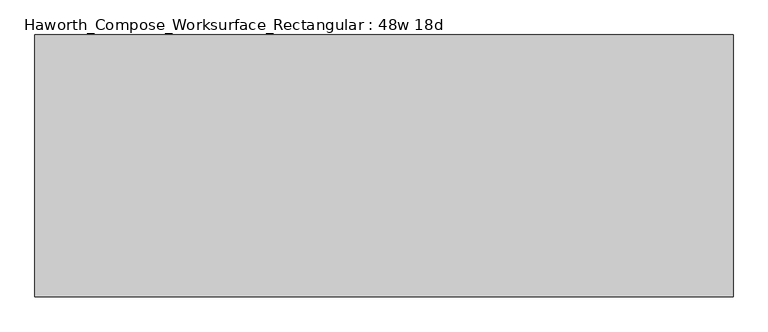
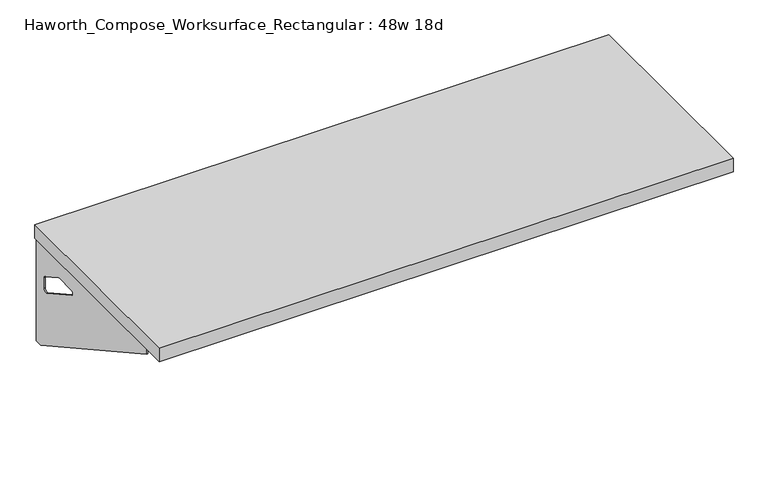
"""IFC4 building model written with IfcOpenShell, lengths in millimetres: furniture geometry, Haworth_Compose_Worksurface_Rectangular : 48w 18d."""

from ifc_helpers import new_model, si_unit, frame, origin, place, context, project, spatial, polyline, circle_curve, outline, extrude, source, transform, mapped, element, save
from ifc_brep_helpers import plane_surface, revolved_surface, advanced_brep


def haworth_compose_worksurface_rectangular_48w_18d_6adbc714(model_context):
    return source(origin(), model_context, "Body", "SolidModel", [
        advanced_brep(
        [(604.04375, 228.6, 475.45625), (604.04375, 212.725, 475.45625), (604.04375, -177.8, 691.7192568), (604.04375, -177.8, 704.05625), (604.04375, 212.725, 704.05625), (604.04375, 228.6, 704.05625), (604.04375, 145.290072, 665.95625), (604.04375, 101.6355284, 665.95625), (604.04375, 98.9564235, 656.3705539), (604.04375, 190.6776173, 605.5776439), (604.04375, 200.025, 611.1756969), (604.04375, 200.025, 634.6860246), (604.04375, 198.2730055, 637.5242776), (604.04375, 148.3663437, 665.1613425), (606.425, 228.6, 475.45625), (606.425, 228.6, 704.05625), (606.425, 212.725, 704.05625), (606.425, 212.725, 706.4375), (606.425, -177.8, 706.4375), (606.425, -177.8, 691.7192568), (606.425, 212.725, 475.45625), (606.425, 145.290072, 665.95625), (606.425, 148.3663437, 665.1613425), (606.425, 198.2730055, 637.5242776), (606.425, 200.025, 634.6860246), (606.425, 200.025, 611.1756969), (606.425, 190.6776173, 605.5776439), (606.425, 98.9564235, 656.3705539), (606.425, 101.6355284, 665.95625), (565.15, -177.8, 706.4375), (565.15, -177.8, 704.05625), (565.15, 212.725, 704.05625), (565.15, 212.725, 706.4375)],
        [
            (0, 1),
            (1, 2),
            (2, 3),
            (3, 4),
            (4, 5),
            (5, 0),
            (6, 7),
            (7, 8, circle_curve(frame((604.04375, 101.6355284, 660.7890106), z_axis=(1.0, 0.0, 0.0), x_axis=(0.0, -1.0, 0.0)), 5.1672394)),
            (8, 9),
            (9, 10, circle_curve(frame((604.04375, 193.675, 611.1756969), z_axis=(1.0, 0.0, 0.0), x_axis=(0.0, -1.0, 0.0)), 6.35)),
            (10, 11),
            (11, 12, circle_curve(frame((604.04375, 196.85, 634.6860246), z_axis=(1.0, 0.0, 0.0), x_axis=(0.0, -1.0, 0.0)), 3.175)),
            (12, 13),
            (13, 6, circle_curve(frame((604.04375, 145.290072, 659.60625), z_axis=(1.0, 0.0, 0.0), x_axis=(0.0, -1.0, 0.0)), 6.35)),
            (14, 15),
            (15, 16),
            (16, 17),
            (17, 18),
            (18, 19),
            (19, 20),
            (20, 14),
            (21, 22, circle_curve(frame((606.425, 145.290072, 659.60625), z_axis=(-1.0, 0.0, 0.0), x_axis=(0.0, -1.0, 0.0)), 6.35)),
            (22, 23),
            (23, 24, circle_curve(frame((606.425, 196.85, 634.6860246), z_axis=(-1.0, 0.0, 0.0), x_axis=(0.0, -1.0, 0.0)), 3.175)),
            (24, 25),
            (25, 26, circle_curve(frame((606.425, 193.675, 611.1756969), z_axis=(-1.0, 0.0, 0.0), x_axis=(0.0, -1.0, 0.0)), 6.35)),
            (26, 27),
            (27, 28, circle_curve(frame((606.425, 101.6355284, 660.7890106), z_axis=(-1.0, 0.0, 0.0), x_axis=(0.0, -1.0, 0.0)), 5.1672394)),
            (28, 21),
            (4, 16),
            (15, 5),
            (14, 0),
            (20, 1),
            (19, 2),
            (18, 29),
            (29, 30),
            (30, 3),
            (6, 21),
            (28, 7),
            (9, 26),
            (25, 10),
            (24, 11),
            (23, 12),
            (27, 8),
            (31, 4),
            (30, 31),
            (32, 29),
            (17, 32),
            (31, 32),
            (22, 13),
        ],
        [
            plane_surface(frame((604.04375, 228.6, 475.45625), z_axis=(-1.0, 0.0, 0.0), x_axis=(0.0, 1.0, 0.0))),
            plane_surface(frame((606.425, 228.6, 475.45625), z_axis=(1.0, 0.0, 0.0), x_axis=(0.0, -1.0, 0.0))),
            plane_surface(frame((606.425, -177.8, 704.05625), z_axis=(0.0, 0.0, 1.0), x_axis=(-1.0, 0.0, 0.0))),
            plane_surface(frame((606.425, 228.6, 704.05625), z_axis=(0.0, 1.0, 0.0), x_axis=(-1.0, 0.0, 0.0))),
            plane_surface(frame((606.425, 228.6, 475.45625), z_axis=(0.0, 0.0, -1.0), x_axis=(-1.0, 0.0, 0.0))),
            plane_surface(frame((606.425, 212.725, 475.45625), z_axis=(0.0, -0.48445223513455843, -0.8748177135112952), x_axis=(-1.0, 0.0, 0.0))),
            plane_surface(frame((606.425, -177.8, 691.7192568), z_axis=(0.0, -1.0, 0.0), x_axis=(-1.0, 0.0, 0.0))),
            plane_surface(frame((606.425, 145.290072, 665.95625), z_axis=(0.0, 0.0, -1.0), x_axis=(-1.0, 0.0, 0.0))),
            revolved_surface(polyline([(604.04375, 187.32500000000002, 611.1756969), (606.425, 187.32500000000002, 611.1756969)]), (606.425, 193.675, 611.1756969), (-1.0, 0.0, 0.0)),
            plane_surface(frame((606.425, 200.025, 611.1756969), z_axis=(0.0, -1.0, 0.0), x_axis=(-1.0, 0.0, 0.0))),
            revolved_surface(polyline([(604.04375, 193.67499999999998, 634.6860246), (606.425, 193.67499999999998, 634.6860246)]), (606.425, 196.85, 634.6860246), (-1.0, 0.0, 0.0)),
            revolved_surface(polyline([(604.04375, 96.468289, 660.7890106), (606.425, 96.468289, 660.7890106)]), (606.425, 101.6355284, 660.7890106), (-1.0, 0.0, 0.0)),
            plane_surface(frame((606.425, 212.725, 704.05625), z_axis=(0.0, 0.0, -1.0), x_axis=(-1.0, 0.0, 0.0))),
            plane_surface(frame((606.425, 212.725, 706.4375), z_axis=(0.0, 0.0, 1.0), x_axis=(1.0, 0.0, 0.0))),
            plane_surface(frame((565.15, 212.725, 706.4375), z_axis=(0.0, 1.0, 0.0), x_axis=(0.0, 0.0, -1.0))),
            plane_surface(frame((565.15, -177.8, 706.4375), z_axis=(-1.0, 0.0, 0.0), x_axis=(0.0, 0.0, -1.0))),
            plane_surface(frame((606.425, 98.9564235, 656.3705539), z_axis=(0.0, 0.4844522351345583, 0.8748177135112953), x_axis=(-1.0, 0.0, 0.0))),
            plane_surface(frame((606.425, 198.2730055, 637.5242776), z_axis=(0.0, -0.4844522351345582, -0.8748177135112953), x_axis=(-1.0, 0.0, 0.0))),
            revolved_surface(polyline([(604.04375, 138.94007200000001, 659.60625), (606.425, 138.94007200000001, 659.60625)]), (606.425, 145.290072, 659.60625), (-1.0, 0.0, 0.0)),
        ],
        [
            (0, [[1, 2, 3, 4, 5, 6], [7, 8, 9, 10, 11, 12, 13, 14]]),
            (1, [[15, 16, 17, 18, 19, 20, 21], [22, 23, 24, 25, 26, 27, 28, 29]]),
            (2, [[-5, 30, -16, 31]]),
            (3, [[-31, -15, 32, -6]]),
            (4, [[-32, -21, 33, -1]]),
            (5, [[-33, -20, 34, -2]]),
            (6, [[-34, -19, 35, 36, 37, -3]]),
            (7, [[38, -29, 39, -7]]),
            (8, [[40, -26, 41, -10]]),
            (9, [[-41, -25, 42, -11]]),
            (10, [[-42, -24, 43, -12]]),
            (11, [[-39, -28, 44, -8]]),
            (12, [[45, -4, -37, 46]]),
            (13, [[47, -35, -18, 48]]),
            (14, [[-17, -30, -45, 49, -48]]),
            (15, [[-36, -47, -49, -46]]),
            (16, [[-44, -27, -40, -9]]),
            (17, [[-43, -23, 50, -13]]),
            (18, [[-50, -22, -38, -14]]),
        ],
    ),
        advanced_brep(
        [(-604.04375, 228.6, 475.45625), (-604.04375, 228.6, 704.05625), (-604.04375, 212.725, 704.05625), (-604.04375, -177.8, 704.05625), (-604.04375, -177.8, 691.7192568), (-604.04375, 212.725, 475.45625), (-604.04375, 145.290072, 665.95625), (-604.04375, 148.3663437, 665.1613425), (-604.04375, 198.2730055, 637.5242776), (-604.04375, 200.025, 634.6860246), (-604.04375, 200.025, 611.1756969), (-604.04375, 190.6776173, 605.5776439), (-604.04375, 98.9564235, 656.3705539), (-604.04375, 101.6355284, 665.95625), (-606.425, 228.6, 475.45625), (-606.425, 212.725, 475.45625), (-606.425, -177.8, 691.7192568), (-606.425, -177.8, 706.4375), (-606.425, 212.725, 706.4375), (-606.425, 212.725, 704.05625), (-606.425, 228.6, 704.05625), (-606.425, 145.290072, 665.95625), (-606.425, 101.6355284, 665.95625), (-606.425, 98.9564235, 656.3705539), (-606.425, 190.6776173, 605.5776439), (-606.425, 200.025, 611.1756969), (-606.425, 200.025, 634.6860246), (-606.425, 198.2730055, 637.5242776), (-606.425, 148.3663437, 665.1613425), (-565.15, -177.8, 704.05625), (-565.15, -177.8, 706.4375), (-565.15, 212.725, 704.05625), (-565.15, 212.725, 706.4375)],
        [
            (0, 1),
            (1, 2),
            (2, 3),
            (3, 4),
            (4, 5),
            (5, 0),
            (6, 7, circle_curve(frame((-604.04375, 145.290072, 659.60625), z_axis=(-1.0, 0.0, 0.0), x_axis=(0.0, -1.0, 0.0)), 6.35)),
            (7, 8),
            (8, 9, circle_curve(frame((-604.04375, 196.85, 634.6860246), z_axis=(-1.0, 0.0, 0.0), x_axis=(0.0, -1.0, 0.0)), 3.175)),
            (9, 10),
            (10, 11, circle_curve(frame((-604.04375, 193.675, 611.1756969), z_axis=(-1.0, 0.0, 0.0), x_axis=(0.0, -1.0, 0.0)), 6.35)),
            (11, 12),
            (12, 13, circle_curve(frame((-604.04375, 101.6355284, 660.7890106), z_axis=(-1.0, 0.0, 0.0), x_axis=(0.0, -1.0, 0.0)), 5.1672394)),
            (13, 6),
            (14, 15),
            (15, 16),
            (16, 17),
            (17, 18),
            (18, 19),
            (19, 20),
            (20, 14),
            (21, 22),
            (22, 23, circle_curve(frame((-606.425, 101.6355284, 660.7890106), z_axis=(1.0, 0.0, 0.0), x_axis=(0.0, -1.0, 0.0)), 5.1672394)),
            (23, 24),
            (24, 25, circle_curve(frame((-606.425, 193.675, 611.1756969), z_axis=(1.0, 0.0, 0.0), x_axis=(0.0, -1.0, 0.0)), 6.35)),
            (25, 26),
            (26, 27, circle_curve(frame((-606.425, 196.85, 634.6860246), z_axis=(1.0, 0.0, 0.0), x_axis=(0.0, -1.0, 0.0)), 3.175)),
            (27, 28),
            (28, 21, circle_curve(frame((-606.425, 145.290072, 659.60625), z_axis=(1.0, 0.0, 0.0), x_axis=(0.0, -1.0, 0.0)), 6.35)),
            (1, 20),
            (19, 2),
            (0, 14),
            (5, 15),
            (4, 16),
            (3, 29),
            (29, 30),
            (30, 17),
            (13, 22),
            (21, 6),
            (10, 25),
            (24, 11),
            (9, 26),
            (8, 27),
            (12, 23),
            (31, 29),
            (2, 31),
            (32, 18),
            (30, 32),
            (32, 31),
            (7, 28),
        ],
        [
            plane_surface(frame((-604.04375, 228.6, 475.45625), z_axis=(1.0, 0.0, 0.0), x_axis=(0.0, 1.0, 0.0))),
            plane_surface(frame((-606.425, 228.6, 475.45625), z_axis=(-1.0, 0.0, 0.0), x_axis=(0.0, -1.0, 0.0))),
            plane_surface(frame((-606.425, -177.8, 704.05625), z_axis=(0.0, 0.0, 1.0), x_axis=(1.0, 0.0, 0.0))),
            plane_surface(frame((-606.425, 228.6, 704.05625), z_axis=(0.0, 1.0, 0.0), x_axis=(1.0, 0.0, 0.0))),
            plane_surface(frame((-606.425, 228.6, 475.45625), z_axis=(0.0, 0.0, -1.0), x_axis=(1.0, 0.0, 0.0))),
            plane_surface(frame((-606.425, 212.725, 475.45625), z_axis=(0.0, -0.48445223513455843, -0.8748177135112952), x_axis=(1.0, 0.0, 0.0))),
            plane_surface(frame((-606.425, -177.8, 691.7192568), z_axis=(0.0, -1.0, 0.0), x_axis=(1.0, 0.0, 0.0))),
            plane_surface(frame((-606.425, 145.290072, 665.95625), z_axis=(0.0, 0.0, -1.0), x_axis=(1.0, 0.0, 0.0))),
            revolved_surface(polyline([(-604.04375, 187.32500000000002, 611.1756969), (-606.425, 187.32500000000002, 611.1756969)]), (-606.425, 193.675, 611.1756969), (1.0, 0.0, 0.0)),
            plane_surface(frame((-606.425, 200.025, 611.1756969), z_axis=(0.0, -1.0, 0.0), x_axis=(1.0, 0.0, 0.0))),
            revolved_surface(polyline([(-604.04375, 193.67499999999998, 634.6860246), (-606.425, 193.67499999999998, 634.6860246)]), (-606.425, 196.85, 634.6860246), (1.0, 0.0, 0.0)),
            revolved_surface(polyline([(-604.04375, 96.468289, 660.7890106), (-606.425, 96.468289, 660.7890106)]), (-606.425, 101.6355284, 660.7890106), (1.0, 0.0, 0.0)),
            plane_surface(frame((-606.425, 212.725, 704.05625), z_axis=(0.0, 0.0, -1.0), x_axis=(1.0, 0.0, 0.0))),
            plane_surface(frame((-606.425, 212.725, 706.4375), z_axis=(0.0, 0.0, 1.0), x_axis=(-1.0, 0.0, 0.0))),
            plane_surface(frame((-565.15, 212.725, 706.4375), z_axis=(0.0, 1.0, 0.0), x_axis=(0.0, 0.0, -1.0))),
            plane_surface(frame((-565.15, -177.8, 706.4375), z_axis=(1.0, 0.0, 0.0), x_axis=(0.0, 0.0, -1.0))),
            plane_surface(frame((-606.425, 98.9564235, 656.3705539), z_axis=(0.0, 0.4844522351345583, 0.8748177135112953), x_axis=(1.0, 0.0, 0.0))),
            plane_surface(frame((-606.425, 198.2730055, 637.5242776), z_axis=(0.0, -0.4844522351345582, -0.8748177135112953), x_axis=(1.0, 0.0, 0.0))),
            revolved_surface(polyline([(-604.04375, 138.94007200000001, 659.60625), (-606.425, 138.94007200000001, 659.60625)]), (-606.425, 145.290072, 659.60625), (1.0, 0.0, 0.0)),
        ],
        [
            (0, [[1, 2, 3, 4, 5, 6], [7, 8, 9, 10, 11, 12, 13, 14]]),
            (1, [[15, 16, 17, 18, 19, 20, 21], [22, 23, 24, 25, 26, 27, 28, 29]]),
            (2, [[30, -20, 31, -2]]),
            (3, [[-1, 32, -21, -30]]),
            (4, [[-6, 33, -15, -32]]),
            (5, [[-5, 34, -16, -33]]),
            (6, [[-4, 35, 36, 37, -17, -34]]),
            (7, [[-14, 38, -22, 39]]),
            (8, [[-11, 40, -25, 41]]),
            (9, [[-10, 42, -26, -40]]),
            (10, [[-9, 43, -27, -42]]),
            (11, [[-13, 44, -23, -38]]),
            (12, [[45, -35, -3, 46]]),
            (13, [[47, -18, -37, 48]]),
            (14, [[-47, 49, -46, -31, -19]]),
            (15, [[-45, -49, -48, -36]]),
            (16, [[-12, -41, -24, -44]]),
            (17, [[-8, 50, -28, -43]]),
            (18, [[-7, -39, -29, -50]]),
        ],
    ),
        extrude(outline(polyline([(609.6, 228.6), (609.6, -228.6), (-609.6, -228.6), (-609.6, 228.6), (609.6, 228.6)])), frame((0.0, 0.0, 706.4375), z_axis=(0.0, 0.0, 1.0), x_axis=(1.0, 0.0, 0.0)), (0.0, 0.0, 1.0), 30.1625),
    ])


if __name__ == "__main__":
    model = new_model("IFC4")
    model_context = context("Model", 3, world=origin())
    ifc_project = project(units=[si_unit("LENGTHUNIT", "METRE", prefix="MILLI")], contexts=[model_context])
    site = spatial("IfcSite", under=ifc_project)
    building = spatial("IfcBuilding", under=site)
    placement = place(None, origin())
    haworth_compose_worksurface_rectangular_48w_18d_shape = haworth_compose_worksurface_rectangular_48w_18d_6adbc714(model_context)
    element("IfcFurniture", 1, ObjectType="Haworth_Compose_Worksurface_Rectangular : 48w 18d", at=placement, inside=building, context=model_context, shape_type="MappedRepresentation", body=[
        mapped(haworth_compose_worksurface_rectangular_48w_18d_shape, transform((0.0, 0.0, 0.0), x_axis=(1.0, 0.0, 0.0), y_axis=(0.0, 1.0, 0.0), z_axis=(0.0, 0.0, 1.0))),
    ])
    save(model, "model.ifc")
